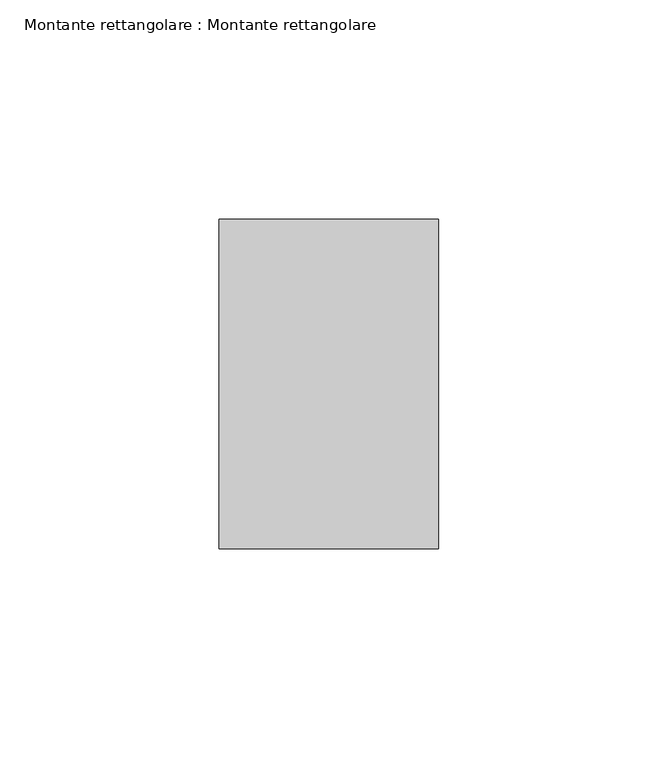
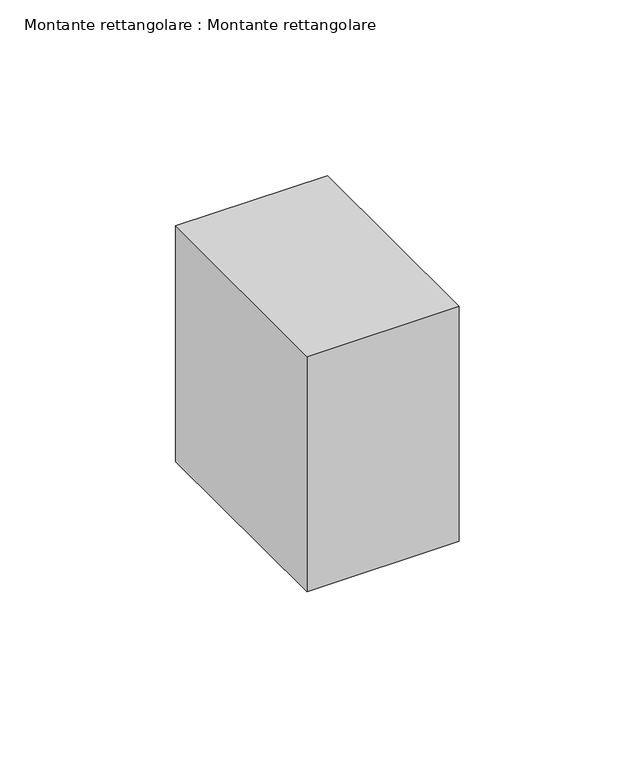
"""IFC4 building model written with IfcOpenShell, lengths in millimetres: member geometry, Montante rettangolare : Montante rettangolare."""

from ifc_helpers import new_model, si_unit, frame, origin, place, context, project, spatial, polyline, outline, extrude, source, transform, mapped, element, save


def montante_rettangolare_montante_rettangolare_a2ec139c(model_context):
    return source(origin(), model_context, "Body", "SweptSolid", [
        extrude(outline(polyline([(-37.5, 0.0), (37.5, 0.0), (37.5, -81.8838869), (-37.5, -81.6509199), (-37.5, 0.0)])), frame((-25.0, 0.0, 0.0), z_axis=(1.0, 0.0, 0.0), x_axis=(0.0, 1.0, 0.0)), (0.0, 0.0, 1.0), 50.0),
    ])


if __name__ == "__main__":
    model = new_model("IFC4")
    model_context = context("Model", 3, world=origin())
    ifc_project = project(units=[si_unit("LENGTHUNIT", "METRE", prefix="MILLI")], contexts=[model_context])
    site = spatial("IfcSite", under=ifc_project)
    building = spatial("IfcBuilding", under=site)
    placement = place(None, origin())
    montante_rettangolare_montante_rettangolare_shape = montante_rettangolare_montante_rettangolare_a2ec139c(model_context)
    element("IfcMember", 1, ObjectType="Montante rettangolare : Montante rettangolare", at=placement, inside=building, context=model_context, shape_type="MappedRepresentation", body=[
        mapped(montante_rettangolare_montante_rettangolare_shape, transform((0.0, 0.0, 0.0), x_axis=(1.0, 0.0, 0.0), y_axis=(0.0, 1.0, 0.0), z_axis=(0.0, 0.0, 1.0))),
    ])
    save(model, "model.ifc")
